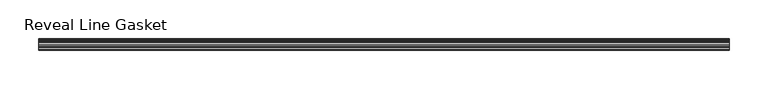
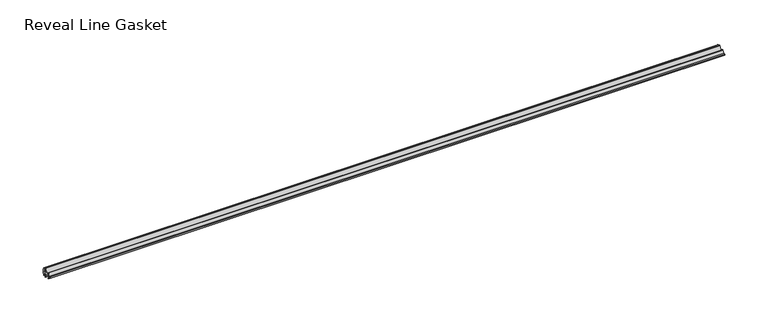
"""IFC4 building model written with IfcOpenShell, lengths in millimetres: furniture geometry, Reveal Line Gasket."""

from ifc_helpers import new_model, si_unit, point, frame, frame_2d, origin, place, context, project, spatial, polyline, circle_curve, trimmed, segment, composite_curve, outline, extrude, source, transform, mapped, element, save


def reveal_line_gasket_72c6dcff(model_context):
    return source(origin(), model_context, "Body", "SweptSolid", [
        extrude(outline(composite_curve([segment(polyline([(7.6326998, 1603.2), (7.6326998, 1597.2), (7.4091917, 1596.2445073), (6.8813059, 1595.3115316)]), True, "CONTINUOUS"), segment(trimmed(circle_curve(frame_2d((6.5243141, 1595.5135207)), 0.4101739), [point((6.8813059, 1595.3115316))], [point((6.1246704, 1595.6058653))], False, "CARTESIAN"), True, "CONTINUOUS"), segment(polyline([(6.1246704, 1595.6058653), (6.3626997, 1597.3020914), (6.3626997, 1599.3345473)]), True, "CONTINUOUS"), segment(trimmed(circle_curve(frame_2d((5.6959605, 1598.9180742)), 0.786124), [point((6.3626997, 1599.3345473))], [point((5.0926996, 1599.422125))], True, "CARTESIAN"), True, "CONTINUOUS"), segment(polyline([(5.0926996, 1599.422125), (0.7492996, 1599.422125), (3.7293824, 1594.2604705)]), True, "CONTINUOUS"), segment(trimmed(circle_curve(frame_2d((3.3132479, 1594.1950239)), 0.4212495), [point((3.7293824, 1594.2604705))], [point((3.0485022, 1593.8673642))], False, "CARTESIAN"), True, "CONTINUOUS"), segment(polyline([(3.0485022, 1593.8673642), (-0.5742594, 1599.422125), (-4.8262978, 1599.422125), (-3.1660374, 1596.5464703)]), True, "CONTINUOUS"), segment(trimmed(circle_curve(frame_2d((-3.5978728, 1596.4881145)), 0.4357605), [point((-3.1660374, 1596.5464703))], [point((-3.864328, 1596.1433119))], False, "CARTESIAN"), True, "CONTINUOUS"), segment(polyline([(-3.864328, 1596.1433119), (-6.1944059, 1599.422125), (-7.6326998, 1599.422125), (-7.6326998, 1600.977875), (-6.1944059, 1600.977875), (-3.864328, 1604.2566881)]), True, "CONTINUOUS"), segment(trimmed(circle_curve(frame_2d((-3.5978728, 1603.9118855)), 0.4357605), [point((-3.864328, 1604.2566881))], [point((-3.1660374, 1603.8535297))], False, "CARTESIAN"), True, "CONTINUOUS"), segment(polyline([(-3.1660374, 1603.8535297), (-4.8262978, 1600.977875), (-0.5742594, 1600.977875), (3.0485022, 1606.5326358)]), True, "CONTINUOUS"), segment(trimmed(circle_curve(frame_2d((3.3132479, 1606.2049761)), 0.4212495), [point((3.0485022, 1606.5326358))], [point((3.7293824, 1606.1395295))], False, "CARTESIAN"), True, "CONTINUOUS"), segment(polyline([(3.7293824, 1606.1395295), (0.7492996, 1600.977875), (5.0926996, 1600.977875)]), True, "CONTINUOUS"), segment(trimmed(circle_curve(frame_2d((5.6959605, 1601.4819258)), 0.786124), [point((5.0926996, 1600.977875))], [point((6.3626997, 1601.0654527))], True, "CARTESIAN"), True, "CONTINUOUS"), segment(polyline([(6.3626997, 1601.0654527), (6.3626997, 1603.0979086), (6.1246704, 1604.7941347)]), True, "CONTINUOUS"), segment(trimmed(circle_curve(frame_2d((6.5243141, 1604.8864793)), 0.4101739), [point((6.1246704, 1604.7941347))], [point((6.8813059, 1605.0884684))], False, "CARTESIAN"), True, "CONTINUOUS"), segment(polyline([(6.8813059, 1605.0884684), (7.4091917, 1604.1554927), (7.6326998, 1603.2)]), True, "CONTINUOUS")], self_intersect=False)), frame((-447.7193698, 0.0, 0.0), z_axis=(1.0, 0.0, 0.0), x_axis=(0.0, 1.0, 0.0)), (0.0, 0.0, 1.0), 895.4387397),
    ])


if __name__ == "__main__":
    model = new_model("IFC4")
    model_context = context("Model", 3, world=origin())
    ifc_project = project(units=[si_unit("LENGTHUNIT", "METRE", prefix="MILLI")], contexts=[model_context])
    site = spatial("IfcSite", under=ifc_project)
    building = spatial("IfcBuilding", under=site)
    placement = place(None, origin())
    reveal_line_gasket_shape = reveal_line_gasket_72c6dcff(model_context)
    element("IfcFurniture", 1, ObjectType="Reveal Line Gasket", at=placement, inside=building, context=model_context, shape_type="MappedRepresentation", body=[
        mapped(reveal_line_gasket_shape, transform((0.0, 0.0, 0.0), x_axis=(1.0, 0.0, 0.0), y_axis=(0.0, 1.0, 0.0), z_axis=(0.0, 0.0, 1.0))),
    ])
    save(model, "model.ifc")
